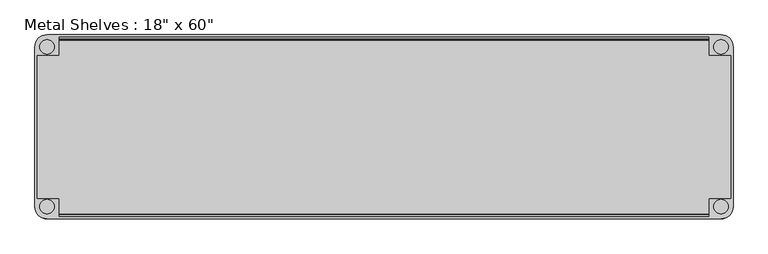
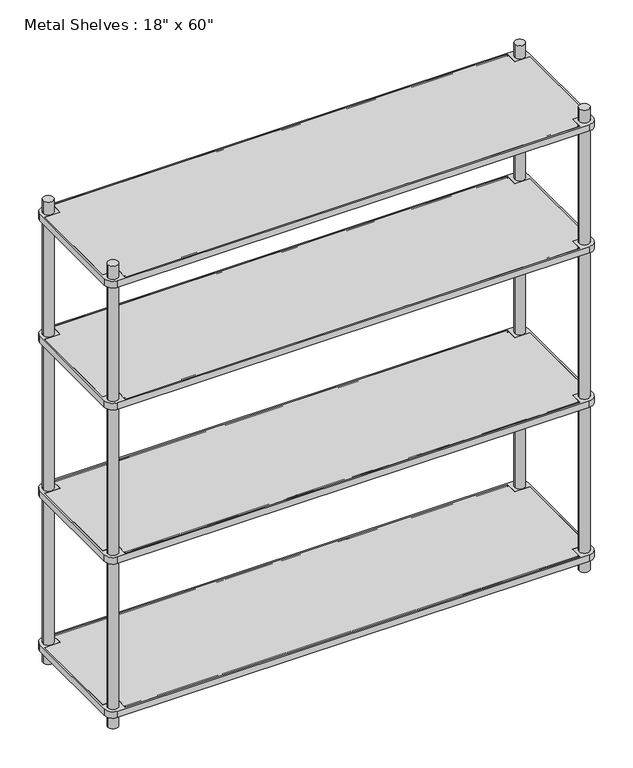
"""IFC4 building model written with IfcOpenShell, lengths in millimetres: furniture geometry."""

from ifc_helpers import new_model, si_unit, point, frame, frame_2d, origin, origin_with_axes, place, context, project, spatial, polyline, circle_curve, trimmed, segment, composite_curve, outline, extrude, source, transform, mapped, element, save


def furniture_28830685(model_context):
    return source(origin(), model_context, "Body", "SweptSolid", [
        extrude(outline(polyline([(-850.9, -234.95), (-850.9, -187.325), (-908.05, -187.325), (-908.05, 187.325), (-850.9, 187.325), (-850.9, 234.95), (850.9, 234.95), (850.9, 187.325), (908.05, 187.325), (908.05, -187.325), (850.9, -187.325), (850.9, -234.95), (-850.9, -234.95)])), frame((0.0, 0.0, 50.8), z_axis=(0.0, 0.0, 1.0), x_axis=(1.0, 0.0, 0.0)), (0.0, 0.0, 1.0), 25.4),
        extrude(outline(polyline([(-850.9, -234.95), (-850.9, -187.325), (-908.05, -187.325), (-908.05, 187.325), (-850.9, 187.325), (-850.9, 234.95), (850.9, 234.95), (850.9, 187.325), (908.05, 187.325), (908.05, -187.325), (850.9, -187.325), (850.9, -234.95), (-850.9, -234.95)])), frame((0.0, 0.0, 660.4), z_axis=(0.0, 0.0, 1.0), x_axis=(1.0, 0.0, 0.0)), (0.0, 0.0, 1.0), 25.4),
        extrude(outline(polyline([(-850.9, -234.95), (-850.9, -187.325), (-908.05, -187.325), (-908.05, 187.325), (-850.9, 187.325), (-850.9, 234.95), (850.9, 234.95), (850.9, 187.325), (908.05, 187.325), (908.05, -187.325), (850.9, -187.325), (850.9, -234.95), (-850.9, -234.95)])), frame((0.0, 0.0, 1270.0), z_axis=(0.0, 0.0, 1.0), x_axis=(1.0, 0.0, 0.0)), (0.0, 0.0, 1.0), 25.4),
        extrude(outline(polyline([(-908.05, -187.325), (-908.05, 187.325), (-850.9, 187.325), (-850.9, 234.95), (850.9, 234.95), (850.9, 187.325), (908.05, 187.325), (908.05, -187.325), (850.9, -187.325), (850.9, -234.95), (-850.9, -234.95), (-850.9, -187.325), (-908.05, -187.325)])), frame((0.0, 0.0, 1752.6), z_axis=(0.0, 0.0, 1.0), x_axis=(1.0, 0.0, 0.0)), (0.0, 0.0, 1.0), 25.4),
        extrude(outline(composite_curve([segment(polyline([(914.4, 209.55), (914.4, -209.55)]), True, "CONTINUOUS"), segment(trimmed(circle_curve(frame_2d((882.65, -209.55)), 31.75), [point((914.4, -209.55))], [point((882.65, -241.3))], False, "CARTESIAN"), True, "CONTINUOUS"), segment(polyline([(882.65, -241.3), (-882.65, -241.3)]), True, "CONTINUOUS"), segment(trimmed(circle_curve(frame_2d((-882.65, -209.55)), 31.75), [point((-882.65, -241.3))], [point((-914.4, -209.55))], False, "CARTESIAN"), True, "CONTINUOUS"), segment(polyline([(-914.4, -209.55), (-914.4, 209.55)]), True, "CONTINUOUS"), segment(trimmed(circle_curve(frame_2d((-882.65, 209.55)), 31.75), [point((-914.4, 209.55))], [point((-882.65, 241.3))], False, "CARTESIAN"), True, "CONTINUOUS"), segment(polyline([(-882.65, 241.3), (882.65, 241.3)]), True, "CONTINUOUS"), segment(trimmed(circle_curve(frame_2d((882.65, 209.55)), 31.75), [point((882.65, 241.3))], [point((914.4, 209.55))], False, "CARTESIAN"), True, "CONTINUOUS")], self_intersect=False), holes=[polyline([(-850.9, 234.95), (-850.9, 187.325), (-908.05, 187.325), (-908.05, -187.325), (-850.9, -187.325), (-850.9, -234.95), (850.9, -234.95), (850.9, -187.325), (908.05, -187.325), (908.05, 187.325), (850.9, 187.325), (850.9, 234.95), (-850.9, 234.95)]), composite_curve([segment(trimmed(circle_curve(frame_2d((882.65, 209.55)), 19.05), [point((863.6, 209.55))], [point((901.7, 209.55))], True, "CARTESIAN"), True, "CONTINUOUS"), segment(trimmed(circle_curve(frame_2d((882.65, 209.55)), 19.05), [point((901.7, 209.55))], [point((863.6, 209.55))], True, "CARTESIAN"), True, "CONTINUOUS")], self_intersect=False), composite_curve([segment(trimmed(circle_curve(frame_2d((882.65, -209.55)), 19.05), [point((863.6, -209.55))], [point((901.7, -209.55))], True, "CARTESIAN"), True, "CONTINUOUS"), segment(trimmed(circle_curve(frame_2d((882.65, -209.55)), 19.05), [point((901.7, -209.55))], [point((863.6, -209.55))], True, "CARTESIAN"), True, "CONTINUOUS")], self_intersect=False), composite_curve([segment(trimmed(circle_curve(frame_2d((-882.65, -209.55)), 19.05), [point((-863.6, -209.55))], [point((-901.7, -209.55))], True, "CARTESIAN"), True, "CONTINUOUS"), segment(trimmed(circle_curve(frame_2d((-882.65, -209.55)), 19.05), [point((-901.7, -209.55))], [point((-863.6, -209.55))], True, "CARTESIAN"), True, "CONTINUOUS")], self_intersect=False), composite_curve([segment(trimmed(circle_curve(frame_2d((-882.65, 209.55)), 19.05), [point((-863.6, 209.55))], [point((-901.7, 209.55))], True, "CARTESIAN"), True, "CONTINUOUS"), segment(trimmed(circle_curve(frame_2d((-882.65, 209.55)), 19.05), [point((-901.7, 209.55))], [point((-863.6, 209.55))], True, "CARTESIAN"), True, "CONTINUOUS")], self_intersect=False)]), frame((0.0, 0.0, 660.4), z_axis=(0.0, 0.0, 1.0), x_axis=(1.0, 0.0, 0.0)), (0.0, 0.0, 1.0), 25.4),
        extrude(outline(composite_curve([segment(polyline([(-882.65, 241.3), (882.65, 241.3)]), True, "CONTINUOUS"), segment(trimmed(circle_curve(frame_2d((882.65, 209.55)), 31.75), [point((882.65, 241.3))], [point((914.4, 209.55))], False, "CARTESIAN"), True, "CONTINUOUS"), segment(polyline([(914.4, 209.55), (914.4, -209.55)]), True, "CONTINUOUS"), segment(trimmed(circle_curve(frame_2d((882.65, -209.55)), 31.75), [point((914.4, -209.55))], [point((882.65, -241.3))], False, "CARTESIAN"), True, "CONTINUOUS"), segment(polyline([(882.65, -241.3), (-882.65, -241.3)]), True, "CONTINUOUS"), segment(trimmed(circle_curve(frame_2d((-882.65, -209.55)), 31.75), [point((-882.65, -241.3))], [point((-914.4, -209.55))], False, "CARTESIAN"), True, "CONTINUOUS"), segment(polyline([(-914.4, -209.55), (-914.4, 209.55)]), True, "CONTINUOUS"), segment(trimmed(circle_curve(frame_2d((-882.65, 209.55)), 31.75), [point((-914.4, 209.55))], [point((-882.65, 241.3))], False, "CARTESIAN"), True, "CONTINUOUS")], self_intersect=False), holes=[composite_curve([segment(trimmed(circle_curve(frame_2d((-882.65, 209.55)), 19.05), [point((-863.6, 209.55))], [point((-901.7, 209.55))], True, "CARTESIAN"), True, "CONTINUOUS"), segment(trimmed(circle_curve(frame_2d((-882.65, 209.55)), 19.05), [point((-901.7, 209.55))], [point((-863.6, 209.55))], True, "CARTESIAN"), True, "CONTINUOUS")], self_intersect=False), composite_curve([segment(trimmed(circle_curve(frame_2d((-882.65, -209.55)), 19.05), [point((-863.6, -209.55))], [point((-901.7, -209.55))], True, "CARTESIAN"), True, "CONTINUOUS"), segment(trimmed(circle_curve(frame_2d((-882.65, -209.55)), 19.05), [point((-901.7, -209.55))], [point((-863.6, -209.55))], True, "CARTESIAN"), True, "CONTINUOUS")], self_intersect=False), composite_curve([segment(trimmed(circle_curve(frame_2d((882.65, 209.55)), 19.05), [point((863.6, 209.55))], [point((901.7, 209.55))], True, "CARTESIAN"), True, "CONTINUOUS"), segment(trimmed(circle_curve(frame_2d((882.65, 209.55)), 19.05), [point((901.7, 209.55))], [point((863.6, 209.55))], True, "CARTESIAN"), True, "CONTINUOUS")], self_intersect=False), composite_curve([segment(trimmed(circle_curve(frame_2d((882.65, -209.55)), 19.05), [point((863.6, -209.55))], [point((901.7, -209.55))], True, "CARTESIAN"), True, "CONTINUOUS"), segment(trimmed(circle_curve(frame_2d((882.65, -209.55)), 19.05), [point((901.7, -209.55))], [point((863.6, -209.55))], True, "CARTESIAN"), True, "CONTINUOUS")], self_intersect=False), polyline([(-850.9, 234.95), (-850.9, 187.325), (-908.05, 187.325), (-908.05, -187.325), (-850.9, -187.325), (-850.9, -234.95), (850.9, -234.95), (850.9, -187.325), (908.05, -187.325), (908.05, 187.325), (850.9, 187.325), (850.9, 234.95), (-850.9, 234.95)])]), frame((0.0, 0.0, 50.8), z_axis=(0.0, 0.0, 1.0), x_axis=(1.0, 0.0, 0.0)), (0.0, 0.0, 1.0), 25.4),
        extrude(outline(composite_curve([segment(polyline([(-914.4, -209.55), (-914.4, 209.55)]), True, "CONTINUOUS"), segment(trimmed(circle_curve(frame_2d((-882.65, 209.55)), 31.75), [point((-914.4, 209.55))], [point((-882.65, 241.3))], False, "CARTESIAN"), True, "CONTINUOUS"), segment(polyline([(-882.65, 241.3), (882.65, 241.3)]), True, "CONTINUOUS"), segment(trimmed(circle_curve(frame_2d((882.65, 209.55)), 31.75), [point((882.65, 241.3))], [point((914.4, 209.55))], False, "CARTESIAN"), True, "CONTINUOUS"), segment(polyline([(914.4, 209.55), (914.4, -209.55)]), True, "CONTINUOUS"), segment(trimmed(circle_curve(frame_2d((882.65, -209.55)), 31.75), [point((914.4, -209.55))], [point((882.65, -241.3))], False, "CARTESIAN"), True, "CONTINUOUS"), segment(polyline([(882.65, -241.3), (-882.65, -241.3)]), True, "CONTINUOUS"), segment(trimmed(circle_curve(frame_2d((-882.65, -209.55)), 31.75), [point((-882.65, -241.3))], [point((-914.4, -209.55))], False, "CARTESIAN"), True, "CONTINUOUS")], self_intersect=False), holes=[composite_curve([segment(trimmed(circle_curve(frame_2d((-882.65, -209.55)), 19.05), [point((-863.6, -209.55))], [point((-901.7, -209.55))], True, "CARTESIAN"), True, "CONTINUOUS"), segment(trimmed(circle_curve(frame_2d((-882.65, -209.55)), 19.05), [point((-901.7, -209.55))], [point((-863.6, -209.55))], True, "CARTESIAN"), True, "CONTINUOUS")], self_intersect=False), composite_curve([segment(trimmed(circle_curve(frame_2d((-882.65, 209.55)), 19.05), [point((-863.6, 209.55))], [point((-901.7, 209.55))], True, "CARTESIAN"), True, "CONTINUOUS"), segment(trimmed(circle_curve(frame_2d((-882.65, 209.55)), 19.05), [point((-901.7, 209.55))], [point((-863.6, 209.55))], True, "CARTESIAN"), True, "CONTINUOUS")], self_intersect=False), composite_curve([segment(trimmed(circle_curve(frame_2d((882.65, 209.55)), 19.05), [point((863.6, 209.55))], [point((901.7, 209.55))], True, "CARTESIAN"), True, "CONTINUOUS"), segment(trimmed(circle_curve(frame_2d((882.65, 209.55)), 19.05), [point((901.7, 209.55))], [point((863.6, 209.55))], True, "CARTESIAN"), True, "CONTINUOUS")], self_intersect=False), polyline([(-850.9, 234.95), (-850.9, 187.325), (-908.05, 187.325), (-908.05, -187.325), (-850.9, -187.325), (-850.9, -234.95), (850.9, -234.95), (850.9, -187.325), (908.05, -187.325), (908.05, 187.325), (850.9, 187.325), (850.9, 234.95), (-850.9, 234.95)]), composite_curve([segment(trimmed(circle_curve(frame_2d((882.65, -209.55)), 19.05), [point((863.6, -209.55))], [point((901.7, -209.55))], True, "CARTESIAN"), True, "CONTINUOUS"), segment(trimmed(circle_curve(frame_2d((882.65, -209.55)), 19.05), [point((901.7, -209.55))], [point((863.6, -209.55))], True, "CARTESIAN"), True, "CONTINUOUS")], self_intersect=False)]), frame((0.0, 0.0, 1270.0), z_axis=(0.0, 0.0, 1.0), x_axis=(1.0, 0.0, 0.0)), (0.0, 0.0, 1.0), 25.4),
        extrude(outline(composite_curve([segment(polyline([(-882.65, 241.3), (882.65, 241.3)]), True, "CONTINUOUS"), segment(trimmed(circle_curve(frame_2d((882.65, 209.55)), 31.75), [point((882.65, 241.3))], [point((914.4, 209.55))], False, "CARTESIAN"), True, "CONTINUOUS"), segment(polyline([(914.4, 209.55), (914.4, -209.55)]), True, "CONTINUOUS"), segment(trimmed(circle_curve(frame_2d((882.65, -209.55)), 31.75), [point((914.4, -209.55))], [point((882.65, -241.3))], False, "CARTESIAN"), True, "CONTINUOUS"), segment(polyline([(882.65, -241.3), (-882.65, -241.3)]), True, "CONTINUOUS"), segment(trimmed(circle_curve(frame_2d((-882.65, -209.55)), 31.75), [point((-882.65, -241.3))], [point((-914.4, -209.55))], False, "CARTESIAN"), True, "CONTINUOUS"), segment(polyline([(-914.4, -209.55), (-914.4, 209.55)]), True, "CONTINUOUS"), segment(trimmed(circle_curve(frame_2d((-882.65, 209.55)), 31.75), [point((-914.4, 209.55))], [point((-882.65, 241.3))], False, "CARTESIAN"), True, "CONTINUOUS")], self_intersect=False), holes=[composite_curve([segment(trimmed(circle_curve(frame_2d((882.65, -209.55)), 19.05), [point((863.6, -209.55))], [point((901.7, -209.55))], True, "CARTESIAN"), True, "CONTINUOUS"), segment(trimmed(circle_curve(frame_2d((882.65, -209.55)), 19.05), [point((901.7, -209.55))], [point((863.6, -209.55))], True, "CARTESIAN"), True, "CONTINUOUS")], self_intersect=False), composite_curve([segment(trimmed(circle_curve(frame_2d((882.65, 209.55)), 19.05), [point((863.6, 209.55))], [point((901.7, 209.55))], True, "CARTESIAN"), True, "CONTINUOUS"), segment(trimmed(circle_curve(frame_2d((882.65, 209.55)), 19.05), [point((901.7, 209.55))], [point((863.6, 209.55))], True, "CARTESIAN"), True, "CONTINUOUS")], self_intersect=False), composite_curve([segment(trimmed(circle_curve(frame_2d((-882.65, -209.55)), 19.05), [point((-863.6, -209.55))], [point((-901.7, -209.55))], True, "CARTESIAN"), True, "CONTINUOUS"), segment(trimmed(circle_curve(frame_2d((-882.65, -209.55)), 19.05), [point((-901.7, -209.55))], [point((-863.6, -209.55))], True, "CARTESIAN"), True, "CONTINUOUS")], self_intersect=False), polyline([(908.05, 187.325), (850.9, 187.325), (850.9, 234.95), (-850.9, 234.95), (-850.9, 187.325), (-908.05, 187.325), (-908.05, -187.325), (-850.9, -187.325), (-850.9, -234.95), (850.9, -234.95), (850.9, -187.325), (908.05, -187.325), (908.05, 187.325)]), composite_curve([segment(trimmed(circle_curve(frame_2d((-882.65, 209.55)), 19.05), [point((-863.6, 209.55))], [point((-901.7, 209.55))], True, "CARTESIAN"), True, "CONTINUOUS"), segment(trimmed(circle_curve(frame_2d((-882.65, 209.55)), 19.05), [point((-901.7, 209.55))], [point((-863.6, 209.55))], True, "CARTESIAN"), True, "CONTINUOUS")], self_intersect=False)]), frame((0.0, 0.0, 1752.6), z_axis=(0.0, 0.0, 1.0), x_axis=(1.0, 0.0, 0.0)), (0.0, 0.0, 1.0), 25.4),
        extrude(outline(composite_curve([segment(trimmed(circle_curve(frame_2d((-228.6, 1776.4125)), 1.5875), [point((-227.0125, 1776.4125))], [point((-230.1875, 1776.4125))], False, "CARTESIAN"), True, "CONTINUOUS"), segment(trimmed(circle_curve(frame_2d((-228.6, 1776.4125)), 1.5875), [point((-230.1875, 1776.4125))], [point((-227.0125, 1776.4125))], False, "CARTESIAN"), True, "CONTINUOUS")], self_intersect=False)), frame((-850.9, 0.0, 0.0), z_axis=(1.0, 0.0, 0.0), x_axis=(0.0, 1.0, 0.0)), (0.0, 0.0, 1.0), 1701.8),
        extrude(outline(composite_curve([segment(trimmed(circle_curve(frame_2d((228.6, 1776.4125)), 1.5875), [point((230.1875, 1776.4125))], [point((227.0125, 1776.4125))], False, "CARTESIAN"), True, "CONTINUOUS"), segment(trimmed(circle_curve(frame_2d((228.6, 1776.4125)), 1.5875), [point((227.0125, 1776.4125))], [point((230.1875, 1776.4125))], False, "CARTESIAN"), True, "CONTINUOUS")], self_intersect=False)), frame((-850.9, 0.0, 0.0), z_axis=(1.0, 0.0, 0.0), x_axis=(0.0, 1.0, 0.0)), (0.0, 0.0, 1.0), 1701.8),
        extrude(outline(composite_curve([segment(trimmed(circle_curve(frame_2d((-228.6, 1293.8125)), 1.5875), [point((-227.0125, 1293.8125))], [point((-230.1875, 1293.8125))], False, "CARTESIAN"), True, "CONTINUOUS"), segment(trimmed(circle_curve(frame_2d((-228.6, 1293.8125)), 1.5875), [point((-230.1875, 1293.8125))], [point((-227.0125, 1293.8125))], False, "CARTESIAN"), True, "CONTINUOUS")], self_intersect=False)), frame((-850.9, 0.0, 0.0), z_axis=(1.0, 0.0, 0.0), x_axis=(0.0, 1.0, 0.0)), (0.0, 0.0, 1.0), 1701.8),
        extrude(outline(composite_curve([segment(trimmed(circle_curve(frame_2d((228.6, 1293.8125)), 1.5875), [point((230.1875, 1293.8125))], [point((227.0125, 1293.8125))], False, "CARTESIAN"), True, "CONTINUOUS"), segment(trimmed(circle_curve(frame_2d((228.6, 1293.8125)), 1.5875), [point((227.0125, 1293.8125))], [point((230.1875, 1293.8125))], False, "CARTESIAN"), True, "CONTINUOUS")], self_intersect=False)), frame((-850.9, 0.0, 0.0), z_axis=(1.0, 0.0, 0.0), x_axis=(0.0, 1.0, 0.0)), (0.0, 0.0, 1.0), 1701.8),
        extrude(outline(composite_curve([segment(trimmed(circle_curve(frame_2d((-228.6, 684.2125)), 1.5875), [point((-227.0125, 684.2125))], [point((-230.1875, 684.2125))], False, "CARTESIAN"), True, "CONTINUOUS"), segment(trimmed(circle_curve(frame_2d((-228.6, 684.2125)), 1.5875), [point((-230.1875, 684.2125))], [point((-227.0125, 684.2125))], False, "CARTESIAN"), True, "CONTINUOUS")], self_intersect=False)), frame((-850.9, 0.0, 0.0), z_axis=(1.0, 0.0, 0.0), x_axis=(0.0, 1.0, 0.0)), (0.0, 0.0, 1.0), 1701.8),
        extrude(outline(composite_curve([segment(trimmed(circle_curve(frame_2d((228.6, 684.2125)), 1.5875), [point((230.1875, 684.2125))], [point((227.0125, 684.2125))], False, "CARTESIAN"), True, "CONTINUOUS"), segment(trimmed(circle_curve(frame_2d((228.6, 684.2125)), 1.5875), [point((227.0125, 684.2125))], [point((230.1875, 684.2125))], False, "CARTESIAN"), True, "CONTINUOUS")], self_intersect=False)), frame((-850.9, 0.0, 0.0), z_axis=(1.0, 0.0, 0.0), x_axis=(0.0, 1.0, 0.0)), (0.0, 0.0, 1.0), 1701.8),
        extrude(outline(composite_curve([segment(trimmed(circle_curve(frame_2d((-228.6, 74.6125)), 1.5875), [point((-227.0125, 74.6125))], [point((-230.1875, 74.6125))], False, "CARTESIAN"), True, "CONTINUOUS"), segment(trimmed(circle_curve(frame_2d((-228.6, 74.6125)), 1.5875), [point((-230.1875, 74.6125))], [point((-227.0125, 74.6125))], False, "CARTESIAN"), True, "CONTINUOUS")], self_intersect=False)), frame((-850.9, 0.0, 0.0), z_axis=(1.0, 0.0, 0.0), x_axis=(0.0, 1.0, 0.0)), (0.0, 0.0, 1.0), 1701.8),
        extrude(outline(composite_curve([segment(trimmed(circle_curve(frame_2d((228.6, 74.6125)), 1.5875), [point((230.1875, 74.6125))], [point((227.0125, 74.6125))], False, "CARTESIAN"), True, "CONTINUOUS"), segment(trimmed(circle_curve(frame_2d((228.6, 74.6125)), 1.5875), [point((227.0125, 74.6125))], [point((230.1875, 74.6125))], False, "CARTESIAN"), True, "CONTINUOUS")], self_intersect=False)), frame((-850.9, 0.0, 0.0), z_axis=(1.0, 0.0, 0.0), x_axis=(0.0, 1.0, 0.0)), (0.0, 0.0, 1.0), 1701.8),
        extrude(outline(composite_curve([segment(trimmed(circle_curve(frame_2d((882.65, 209.55)), 19.05), [point((901.7, 209.55))], [point((863.6, 209.55))], False, "CARTESIAN"), True, "CONTINUOUS"), segment(trimmed(circle_curve(frame_2d((882.65, 209.55)), 19.05), [point((863.6, 209.55))], [point((901.7, 209.55))], False, "CARTESIAN"), True, "CONTINUOUS")], self_intersect=False)), origin_with_axes(), (0.0, 0.0, 1.0), 1828.8),
        extrude(outline(composite_curve([segment(trimmed(circle_curve(frame_2d((-882.65, 209.55)), 19.05), [point((-901.7, 209.55))], [point((-863.6, 209.55))], False, "CARTESIAN"), True, "CONTINUOUS"), segment(trimmed(circle_curve(frame_2d((-882.65, 209.55)), 19.05), [point((-863.6, 209.55))], [point((-901.7, 209.55))], False, "CARTESIAN"), True, "CONTINUOUS")], self_intersect=False)), origin_with_axes(), (0.0, 0.0, 1.0), 1828.8),
        extrude(outline(composite_curve([segment(trimmed(circle_curve(frame_2d((882.65, -209.55)), 19.05), [point((901.7, -209.55))], [point((863.6, -209.55))], False, "CARTESIAN"), True, "CONTINUOUS"), segment(trimmed(circle_curve(frame_2d((882.65, -209.55)), 19.05), [point((863.6, -209.55))], [point((901.7, -209.55))], False, "CARTESIAN"), True, "CONTINUOUS")], self_intersect=False)), origin_with_axes(), (0.0, 0.0, 1.0), 1828.8),
        extrude(outline(composite_curve([segment(trimmed(circle_curve(frame_2d((-882.65, -209.55)), 19.05), [point((-901.7, -209.55))], [point((-863.6, -209.55))], False, "CARTESIAN"), True, "CONTINUOUS"), segment(trimmed(circle_curve(frame_2d((-882.65, -209.55)), 19.05), [point((-863.6, -209.55))], [point((-901.7, -209.55))], False, "CARTESIAN"), True, "CONTINUOUS")], self_intersect=False)), origin_with_axes(), (0.0, 0.0, 1.0), 1828.8),
    ])


if __name__ == "__main__":
    model = new_model("IFC4")
    model_context = context("Model", 3, world=origin())
    ifc_project = project(units=[si_unit("LENGTHUNIT", "METRE", prefix="MILLI")], contexts=[model_context])
    site = spatial("IfcSite", under=ifc_project)
    building = spatial("IfcBuilding", under=site)
    placement = place(None, origin())
    furniture_shape = furniture_28830685(model_context)
    element("IfcFurniture", 1, ObjectType="Metal Shelves : 18\" x 60\"", at=placement, inside=building, context=model_context, shape_type="MappedRepresentation", body=[
        mapped(furniture_shape, transform((0.0, 0.0, 0.0), x_axis=(1.0, 0.0, 0.0), y_axis=(0.0, 1.0, 0.0), z_axis=(0.0, 0.0, 1.0))),
    ])
    save(model, "model.ifc")
